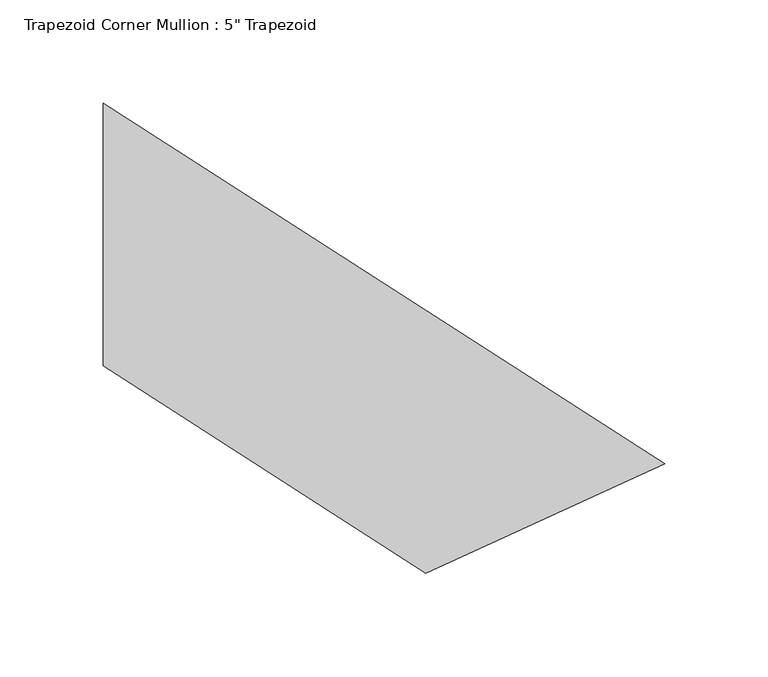
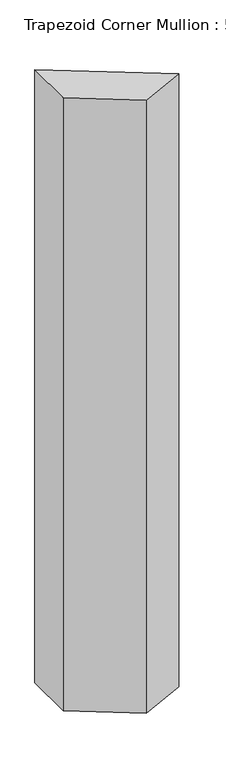
"""IFC4 building model written with IfcOpenShell, lengths in millimetres: member geometry."""

from ifc_helpers import new_model, si_unit, frame, origin, place, context, project, spatial, polyline, outline, extrude, source, transform, mapped, element, save


def member_86d0a8ef(model_context):
    return source(origin(), model_context, "Body", "SweptSolid", [
        extrude(outline(polyline([(120.5478383, -110.8114616), (5.0670651, -163.6621098), (-150.9261784, -63.5), (-150.9261784, 63.5), (120.5478383, -110.8114616)])), frame((0.0, 0.0, -1674.9261784), z_axis=(0.0, 0.0, 1.0), x_axis=(1.0, 0.0, 0.0)), (0.0, 0.0, 1.0), 1674.9261784),
    ])


if __name__ == "__main__":
    model = new_model("IFC4")
    model_context = context("Model", 3, world=origin())
    ifc_project = project(units=[si_unit("LENGTHUNIT", "METRE", prefix="MILLI")], contexts=[model_context])
    site = spatial("IfcSite", under=ifc_project)
    building = spatial("IfcBuilding", under=site)
    placement = place(None, origin())
    member_shape = member_86d0a8ef(model_context)
    element("IfcMember", 1, ObjectType="Trapezoid Corner Mullion : 5\" Trapezoid", at=placement, inside=building, context=model_context, shape_type="MappedRepresentation", body=[
        mapped(member_shape, transform((0.0, 0.0, 0.0), x_axis=(1.0, 0.0, 0.0), y_axis=(0.0, 1.0, 0.0), z_axis=(0.0, 0.0, 1.0))),
    ])
    save(model, "model.ifc")
